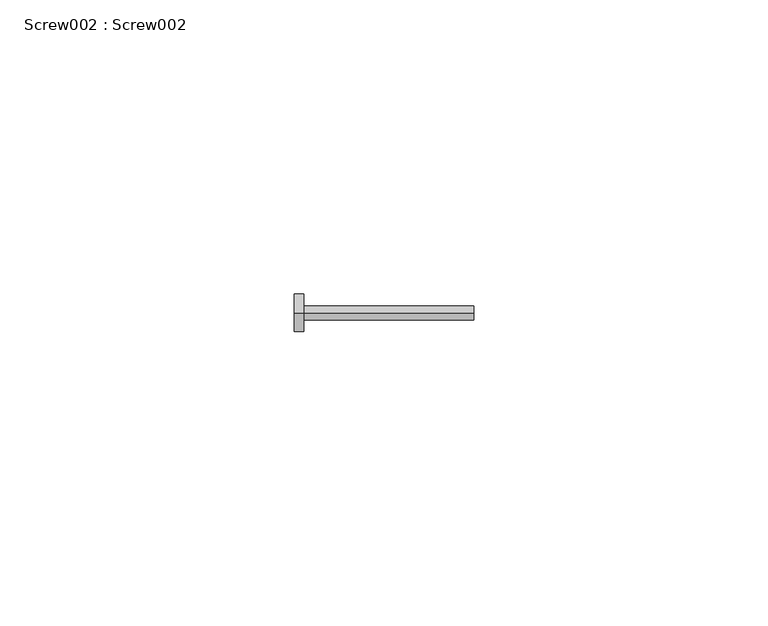
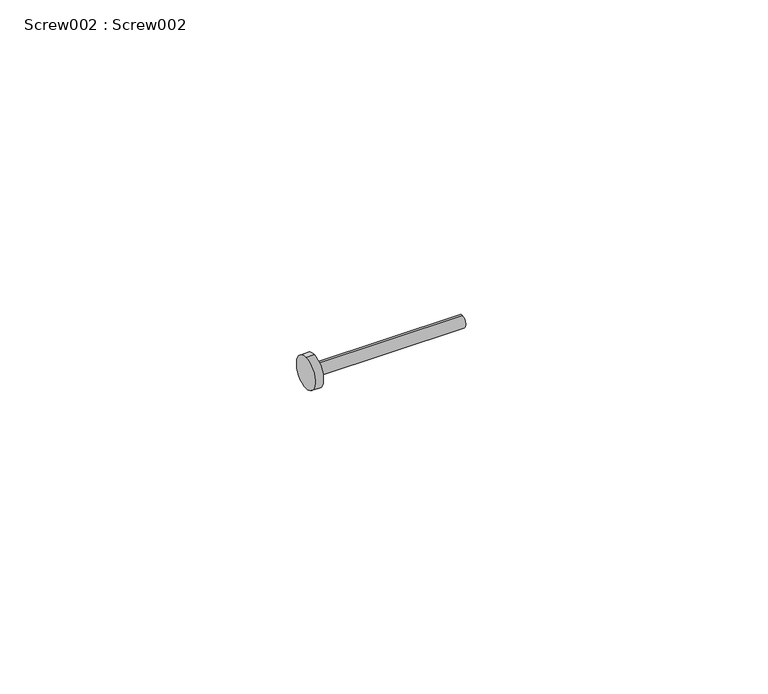
"""IFC4 building model written with IfcOpenShell, lengths in millimetres: proxy geometry, Screw002 : Screw002."""

from ifc_helpers import new_model, si_unit, point, frame, frame_2d, origin, place, context, project, spatial, circle_curve, trimmed, segment, composite_curve, outline, extrude, source, transform, mapped, element, save


def screw002_screw002_c28e2db3(model_context):
    return source(origin(), model_context, "Body", "SweptSolid", [
        extrude(outline(composite_curve([segment(trimmed(circle_curve(frame_2d((-25896.873649, 4543.8378755)), 3.175), [point((-25896.873649, 4547.0128755))], [point((-25896.873649, 4540.6628755))], False, "CARTESIAN"), True, "CONTINUOUS"), segment(trimmed(circle_curve(frame_2d((-25896.873649, 4543.8378755)), 3.175), [point((-25896.873649, 4540.6628755))], [point((-25896.873649, 4547.0128755))], False, "CARTESIAN"), True, "CONTINUOUS")], self_intersect=False)), frame((42290.4701654, 0.0, 0.0), z_axis=(1.0, 0.0, 0.0), x_axis=(0.0, 1.0, 0.0)), (0.0, 0.0, 1.0), 1.5875),
        extrude(outline(composite_curve([segment(trimmed(circle_curve(frame_2d((-25896.873649, 4543.8378755)), 1.190625), [point((-25896.873649, 4545.0285005))], [point((-25896.873649, 4542.6472505))], False, "CARTESIAN"), True, "CONTINUOUS"), segment(trimmed(circle_curve(frame_2d((-25896.873649, 4543.8378755)), 1.190625), [point((-25896.873649, 4542.6472505))], [point((-25896.873649, 4545.0285005))], False, "CARTESIAN"), True, "CONTINUOUS")], self_intersect=False)), frame((42292.0576654, 0.0, 0.0), z_axis=(1.0, 0.0, 0.0), x_axis=(0.0, 1.0, 0.0)), (0.0, 0.0, 1.0), 28.8165981),
    ])


if __name__ == "__main__":
    model = new_model("IFC4")
    model_context = context("Model", 3, world=origin())
    ifc_project = project(units=[si_unit("LENGTHUNIT", "METRE", prefix="MILLI")], contexts=[model_context])
    site = spatial("IfcSite", under=ifc_project)
    building = spatial("IfcBuilding", under=site)
    placement = place(None, origin())
    screw002_screw002_shape = screw002_screw002_c28e2db3(model_context)
    element("IfcBuildingElementProxy", 1, Name="Screw002 : Screw002", ObjectType="Screw002 : Screw002", at=placement, inside=building, context=model_context, shape_type="MappedRepresentation", body=[
        mapped(screw002_screw002_shape, transform((0.0, 0.0, 0.0), x_axis=(1.0, 0.0, 0.0), y_axis=(0.0, 1.0, 0.0), z_axis=(0.0, 0.0, 1.0))),
    ])
    save(model, "model.ifc")
